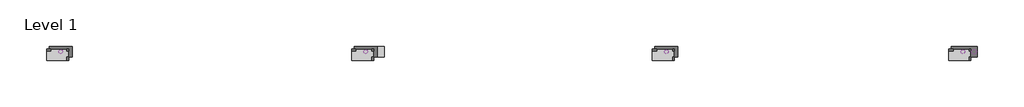
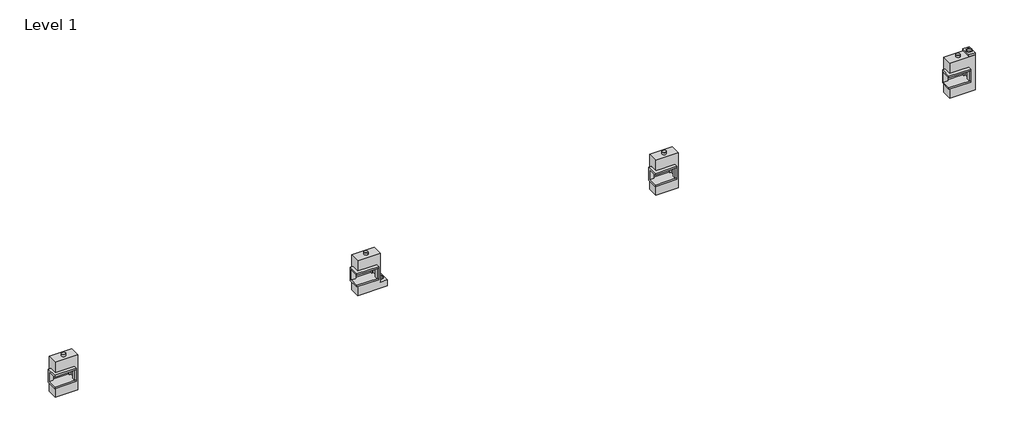
# One storey: 14 proxies.
"""IFC4 building model written with IfcOpenShell, lengths in millimetres."""

import ifcopenshell
import ifcopenshell.guid

model = None  # the IFC model being written
_history = None  # IfcOwnerHistory: only IFC2X3 demands one
_inside = {}  # id of a spatial element -> (the spatial element, [elements in it])
_under = {}  # id of a project, library or spatial element -> (it, [spatial elements below it])
_declared = {}  # id of a project -> (the project, [libraries it declares])
_typed = {}  # id of a type object -> (the type object, [elements of that type])
_made_of = {}  # id of a material, layer set ... -> (it, [elements and type objects made of it])


def new_model(schema):
    """Start an empty IFC model of exactly this schema.

    Asked for "IFC4X3", IfcOpenShell would pick the latest addendum, in which some entities
    have other attributes; the version numbers below select the first issue.
    IFC2X3 requires an IfcOwnerHistory on every rooted entity: one is made here for all.
    """
    global model, _history
    if schema == "IFC4X3":
        model = ifcopenshell.file(schema_version=(4, 3, 0, 0))
    else:
        model = ifcopenshell.file(schema=schema)
    _inside.clear()
    _under.clear()
    _declared.clear()
    _typed.clear()
    _made_of.clear()
    _history = None
    if model.schema == "IFC2X3":
        org = make("IfcOrganization", Name="unknown")
        user = make(
            "IfcPersonAndOrganization",
            ThePerson=make("IfcPerson", FamilyName="unknown"),
            TheOrganization=org,
        )
        app = make(
            "IfcApplication",
            ApplicationDeveloper=org,
            Version="unknown",
            ApplicationFullName="unknown",
            ApplicationIdentifier="unknown",
        )
        _history = make(
            "IfcOwnerHistory",
            OwningUser=user,
            OwningApplication=app,
            ChangeAction="ADDED",
            CreationDate=0,
        )
    return model


def make(cls, **values):
    """One entity of the class cls with the attributes given. An attribute that is None is left unset."""
    return model.create_entity(
        cls, **{name: value for name, value in values.items() if value is not None}
    )


def rooted(cls, **values):
    """An entity with a GlobalId (a new one), such as an element, a storey or a relation."""
    return make(cls, GlobalId=ifcopenshell.guid.new(), OwnerHistory=_history, **values)


def si_unit(unit_type, name, prefix=None):
    """IfcSIUnit, for example si_unit("LENGTHUNIT", "METRE", prefix="MILLI")."""
    return make("IfcSIUnit", UnitType=unit_type, Prefix=prefix, Name=name)


def assignment(units):
    """IfcUnitAssignment: the units of a project."""
    return None if units is None else make("IfcUnitAssignment", Units=units)


def point(xyz):
    """IfcCartesianPoint."""
    return None if xyz is None else make("IfcCartesianPoint", Coordinates=xyz)


def direction(xyz):
    """IfcDirection."""
    return None if xyz is None else make("IfcDirection", DirectionRatios=xyz)


def frame(location, z_axis=None, x_axis=None):
    """IfcAxis2Placement3D, a coordinate frame: its origin and axes. An axis left out is left unset."""
    return make(
        "IfcAxis2Placement3D",
        Location=point(location),
        Axis=direction(z_axis),
        RefDirection=direction(x_axis),
    )


def frame_2d(location, x_axis=None):
    """IfcAxis2Placement2D, a coordinate frame in the plane: its origin and x axis."""
    return make(
        "IfcAxis2Placement2D", Location=point(location), RefDirection=direction(x_axis)
    )


def origin():
    """The frame at (0, 0, 0) with its axes left unset."""
    return frame((0.0, 0.0, 0.0))


def origin_with_axes():
    """The frame at (0, 0, 0) with the z axis (0, 0, 1) and the x axis (1, 0, 0) written out."""
    return frame((0.0, 0.0, 0.0), z_axis=(0.0, 0.0, 1.0), x_axis=(1.0, 0.0, 0.0))


def origin_2d():
    """The frame at (0, 0) in the plane with its x axis left unset."""
    return frame_2d((0.0, 0.0))


def place(relative_to, where):
    """IfcLocalPlacement: puts the frame where relative to a parent placement (None: the world)."""
    return make(
        "IfcLocalPlacement", PlacementRelTo=relative_to, RelativePlacement=where
    )


def context(
    kind, dimensions, precision=None, world=None, true_north=None, identifier=None
):
    """IfcGeometricRepresentationContext, for example the 3D "Model" context."""
    return make(
        "IfcGeometricRepresentationContext",
        ContextIdentifier=identifier,
        ContextType=kind,
        CoordinateSpaceDimension=dimensions,
        Precision=precision,
        WorldCoordinateSystem=world,
        TrueNorth=true_north,
    )


def project(units=None, contexts=None):
    """IfcProject with its units and contexts."""
    return rooted(
        "IfcProject",
        Name="project",
        RepresentationContexts=contexts,
        UnitsInContext=assignment(units),
    )


def spatial(cls, under=None, at=None, **own):
    """A site, building, storey or space (cls), placed at a placement, below another one or the project."""
    s = rooted(cls, ObjectPlacement=at, **own)
    if under is not None:
        _under.setdefault(under.id(), (under, []))[1].append(s)
    return s


def polyline(points):
    """IfcPolyline through the points."""
    return make("IfcPolyline", Points=[point(p) for p in points])


def circle_curve(where, radius):
    """IfcCircle in the frame where."""
    return make("IfcCircle", Position=where, Radius=radius)


def trimmed(basis, trim1, trim2, sense, master):
    """IfcTrimmedCurve: the piece of a basis curve between two trims."""
    return make(
        "IfcTrimmedCurve",
        BasisCurve=basis,
        Trim1=trim1,
        Trim2=trim2,
        SenseAgreement=sense,
        MasterRepresentation=master,
    )


def segment(curve, same_sense, transition):
    """IfcCompositeCurveSegment."""
    return make(
        "IfcCompositeCurveSegment",
        Transition=transition,
        SameSense=same_sense,
        ParentCurve=curve,
    )


def composite_curve(segments, self_intersect=None):
    """IfcCompositeCurve: segments joined end to end."""
    return make("IfcCompositeCurve", Segments=segments, SelfIntersect=self_intersect)


def outline(outer, holes=None, kind="AREA"):
    """IfcArbitraryClosedProfileDef: a profile drawn as a closed curve; with holes, ...WithVoids."""
    if holes is None:
        return make("IfcArbitraryClosedProfileDef", ProfileType=kind, OuterCurve=outer)
    return make(
        "IfcArbitraryProfileDefWithVoids",
        ProfileType=kind,
        OuterCurve=outer,
        InnerCurves=holes,
    )


def extrude(swept, where, along, depth):
    """IfcExtrudedAreaSolid: the profile swept, set in the frame where, extruded along a direction by depth."""
    return make(
        "IfcExtrudedAreaSolid",
        SweptArea=swept,
        Position=where,
        ExtrudedDirection=direction(along),
        Depth=depth,
    )


def faces_of(points, faces, orient=None, outer=None):
    """IfcFace entities. A face is a list of loops; a loop is a list of indices into points, from 0.

    orient and outer hold one flag for each loop. By default every Orientation is true, the
    first loop of a face is its IfcFaceOuterBound and the others are IfcFaceBound.
    """
    made = []
    for i, loops in enumerate(faces):
        bounds = []
        for j, loop in enumerate(loops):
            is_outer = j == 0 if outer is None else outer[i][j]
            bounds.append(
                make(
                    "IfcFaceOuterBound" if is_outer else "IfcFaceBound",
                    Bound=make("IfcPolyLoop", Polygon=[points[k] for k in loop]),
                    Orientation=True if orient is None else orient[i][j],
                )
            )
        made.append(make("IfcFace", Bounds=bounds))
    return made


def faceted_brep(points, faces, orient=None, outer=None, voids=None):
    """IfcFacetedBrep: a solid bounded by flat faces; with voids (closed shells), ...WithVoids."""
    shared = [point(p) for p in points]
    hull = make("IfcClosedShell", CfsFaces=faces_of(shared, faces, orient, outer))
    if voids is None:
        return make("IfcFacetedBrep", Outer=hull)
    return make(
        "IfcFacetedBrepWithVoids",
        Outer=hull,
        Voids=[
            make(cls, CfsFaces=faces_of(shared, fs, o, b)) for cls, fs, o, b in voids
        ],
    )


def shape(context_of_items, identifier, shape_type, items):
    """IfcShapeRepresentation: the items that make up one representation, for example the "Body"."""
    return make(
        "IfcShapeRepresentation",
        ContextOfItems=context_of_items,
        RepresentationIdentifier=identifier,
        RepresentationType=shape_type,
        Items=items,
    )


def source(mapping_origin, context_of_items, identifier, shape_type, items):
    """IfcRepresentationMap: a shape defined once, which mapped items show again and again."""
    return make(
        "IfcRepresentationMap",
        MappingOrigin=mapping_origin,
        MappedRepresentation=shape(context_of_items, identifier, shape_type, items),
    )


def transform(
    local_origin,
    x_axis=None,
    y_axis=None,
    z_axis=None,
    scale=None,
    scale2=None,
    scale3=None,
    uniform=True,
):
    """IfcCartesianTransformationOperator3D, or its non-uniform kind. x_axis, y_axis, z_axis: its Axis1, 2, 3."""
    if uniform:
        return make(
            "IfcCartesianTransformationOperator3D",
            Axis1=direction(x_axis),
            Axis2=direction(y_axis),
            LocalOrigin=point(local_origin),
            Scale=scale,
            Axis3=direction(z_axis),
        )
    return make(
        "IfcCartesianTransformationOperator3DnonUniform",
        Axis1=direction(x_axis),
        Axis2=direction(y_axis),
        LocalOrigin=point(local_origin),
        Scale=scale,
        Axis3=direction(z_axis),
        Scale2=scale2,
        Scale3=scale3,
    )


def mapped(mapping_source, mapping_target):
    """IfcMappedItem: shows the shape of a source again, moved by a transform."""
    return make(
        "IfcMappedItem", MappingSource=mapping_source, MappingTarget=mapping_target
    )


def made_of(thing, what):
    """Note that an element or type object is made of a material, layer set ...; save() writes the relation."""
    if what is not None:
        _made_of.setdefault(what.id(), (what, []))[1].append(thing)
    return thing


def element(
    cls,
    number,
    at=None,
    inside=None,
    cuts=None,
    type_object=None,
    material=None,
    context=None,
    identifier="Body",
    shape_type=None,
    held_by="IfcProductDefinitionShape",
    body=None,
    shapes=None,
    **own,
):
    """One element of the class cls, such as IfcWall. Its Tag is "e" and its number.

    at: its placement. inside: the storey or other place that contains it. cuts: it is an
    opening in that element (IfcRelVoidsElement). A single representation is given by context,
    identifier, shape_type and body (its items); several are given by shapes. held_by: the class
    of the entity that holds the representations. save() writes the other relations.
    """
    e = rooted(cls, Tag="e%d" % number, ObjectPlacement=at, **own)
    if body is not None:
        shapes = [shape(context, identifier, shape_type, body)]
    if shapes is not None:
        e.Representation = make(held_by, Representations=shapes)
    if inside is not None:
        _inside.setdefault(inside.id(), (inside, []))[1].append(e)
    if cuts is not None:
        rooted(
            "IfcRelVoidsElement", RelatingBuildingElement=cuts, RelatedOpeningElement=e
        )
    if type_object is not None:
        _typed.setdefault(type_object.id(), (type_object, []))[1].append(e)
    return made_of(e, material)


def aggregate(whole, parts):
    """IfcRelAggregates: a whole, such as a stair, and the parts it consists of."""
    return rooted("IfcRelAggregates", RelatingObject=whole, RelatedObjects=parts)


def save(model, path):
    """Write the relations noted so far, then the file.

    IfcRelAggregates (storeys below a building ...), IfcRelContainedInSpatialStructure (elements
    in a storey), IfcRelDefinesByType, IfcRelAssociatesMaterial and IfcRelDeclares: one each for
    every whole, place, type object, material and project.
    """
    for whole, parts in _under.values():
        aggregate(whole, parts)
    for where, things in _inside.values():
        rooted(
            "IfcRelContainedInSpatialStructure",
            RelatedElements=things,
            RelatingStructure=where,
        )
    for kind, things in _typed.values():
        rooted("IfcRelDefinesByType", RelatedObjects=things, RelatingType=kind)
    for what, things in _made_of.values():
        rooted("IfcRelAssociatesMaterial", RelatedObjects=things, RelatingMaterial=what)
    for by, libraries in _declared.values():
        rooted("IfcRelDeclares", RelatingContext=by, RelatedDefinitions=libraries)
    model.write(path)


def as_specified_88bc6e9f(model_context):
    return source(origin(), model_context, "Body", "SolidModel", [
        extrude(outline(polyline([(298.45, 285.75), (374.65, 285.75), (374.65, -222.25), (298.45, -222.25), (298.45, 285.75)])), frame((0.0, 0.0, -25.4), z_axis=(0.0, 0.0, 1.0), x_axis=(1.0, 0.0, 0.0)), (0.0, 0.0, 1.0), 165.1),
        faceted_brep([(374.65, 285.75, 139.7), (374.65, 285.75, -317.5), (374.65, -222.25, -317.5), (374.65, -222.25, 139.7), (374.65, -298.45, 139.7), (374.65, -298.45, -393.7), (374.65, 361.95, -393.7), (374.65, 361.95, 139.7), (-666.75, 285.75, 139.7), (-666.75, 361.95, 139.7), (-666.75, 361.95, -393.7), (-666.75, -298.45, -393.7), (-666.75, -298.45, 139.7), (-666.75, -222.25, 139.7), (-666.75, -222.25, -317.5), (-666.75, 285.75, -317.5), (-463.55, 285.75, -393.7), (-463.55, -222.25, -393.7), (298.45, -222.25, -393.7), (298.45, 285.75, -393.7), (298.45, -222.25, -317.5), (-463.55, -222.25, -317.5), (298.45, 285.75, -317.5), (-463.55, 285.75, -317.5)], [[[0, 1, 2, 3, 4, 5, 6, 7]], [[8, 9, 10, 11, 12, 13, 14, 15]], [[0, 7, 9, 8]], [[7, 6, 10, 9]], [[6, 5, 11, 10], [16, 17, 18, 19]], [[4, 3, 13, 12]], [[3, 2, 20, 18, 17, 21, 14, 13]], [[2, 1, 22, 20]], [[15, 14, 21, 23]], [[1, 0, 8, 15, 23, 16, 19, 22]], [[21, 17, 16, 23]], [[18, 20, 22, 19]], [[5, 4, 12, 11]]]),
        faceted_brep([(-539.75, 882.65, -523.9742188), (539.75, 882.65, -523.9742188), (539.75, -882.65, -523.9742188), (-539.75, -882.65, -523.9742188), (539.75, 882.65, -25.4), (-539.75, 882.65, -25.4), (-539.75, 361.95, -25.4), (374.65, 361.95, -25.4), (374.65, -298.45, -25.4), (-539.75, -298.45, -25.4), (-539.75, -882.65, -25.4), (539.75, -882.65, -25.4), (-539.75, -298.45, -393.7), (-539.75, 361.95, -393.7), (374.65, 361.95, -393.7), (374.65, -298.45, -393.7)], [[[0, 1, 2, 3]], [[4, 5, 6, 7, 8, 9, 10, 11]], [[1, 0, 5, 4]], [[5, 0, 3, 10, 9, 12, 13, 6]], [[1, 4, 11, 2]], [[3, 2, 11, 10]], [[14, 15, 8, 7]], [[13, 14, 7, 6]], [[15, 14, 13, 12]], [[15, 12, 9, 8]]]),
    ])


def as_specified_033c711a(model_context):
    return source(origin(), model_context, "Body", "SolidModel", [
        extrude(outline(polyline([(298.45, 285.75), (374.65, 285.75), (374.65, -222.25), (298.45, -222.25), (298.45, 285.75)])), frame((0.0, 0.0, -25.4), z_axis=(0.0, 0.0, 1.0), x_axis=(1.0, 0.0, 0.0)), (0.0, 0.0, 1.0), 165.1),
        faceted_brep([(374.65, 285.75, 139.7), (374.65, 285.75, -317.5), (374.65, -222.25, -317.5), (374.65, -222.25, 139.7), (374.65, -298.45, 139.7), (374.65, -298.45, -393.7), (374.65, 361.95, -393.7), (374.65, 361.95, 139.7), (-666.75, 285.75, 139.7), (-666.75, 361.95, 139.7), (-666.75, 361.95, -393.7), (-666.75, -298.45, -393.7), (-666.75, -298.45, 139.7), (-666.75, -222.25, 139.7), (-666.75, -222.25, -317.5), (-666.75, 285.75, -317.5), (-463.55, 285.75, -393.7), (-463.55, -222.25, -393.7), (298.45, -222.25, -393.7), (298.45, 285.75, -393.7), (298.45, -222.25, -317.5), (-463.55, -222.25, -317.5), (298.45, 285.75, -317.5), (-463.55, 285.75, -317.5)], [[[0, 1, 2, 3, 4, 5, 6, 7]], [[8, 9, 10, 11, 12, 13, 14, 15]], [[0, 7, 9, 8]], [[7, 6, 10, 9]], [[6, 5, 11, 10], [16, 17, 18, 19]], [[4, 3, 13, 12]], [[3, 2, 20, 18, 17, 21, 14, 13]], [[2, 1, 22, 20]], [[15, 14, 21, 23]], [[1, 0, 8, 15, 23, 16, 19, 22]], [[21, 17, 16, 23]], [[18, 20, 22, 19]], [[5, 4, 12, 11]]]),
        faceted_brep([(-539.75, 882.65, -523.9742188), (539.75, 882.65, -523.9742188), (539.75, -577.85, -523.9742188), (869.95, -577.85, -523.9742188), (869.95, -882.65, -523.9742188), (-539.75, -882.65, -523.9742188), (539.75, 882.65, -25.4), (-539.75, 882.65, -25.4), (-539.75, 361.95, -25.4), (374.65, 361.95, -25.4), (374.65, -298.45, -25.4), (-539.75, -298.45, -25.4), (-539.75, -882.65, -25.4), (869.95, -882.65, -25.4), (869.95, -577.85, -25.4), (539.75, -577.85, -25.4), (-539.75, -298.45, -393.7), (-539.75, 361.95, -393.7), (374.65, 361.95, -393.7), (374.65, -298.45, -393.7)], [[[0, 1, 2, 3, 4, 5]], [[6, 7, 8, 9, 10, 11, 12, 13, 14, 15]], [[1, 0, 7, 6]], [[7, 0, 5, 12, 11, 16, 17, 8]], [[1, 6, 15, 2]], [[5, 4, 13, 12]], [[18, 19, 10, 9]], [[17, 18, 9, 8]], [[19, 18, 17, 16]], [[19, 16, 11, 10]], [[4, 3, 14, 13]], [[3, 2, 15, 14]]]),
    ])


def as_specified_0ab2df38(model_context):
    return source(origin(), model_context, "Body", "SolidModel", [
        extrude(outline(polyline([(692.15, 882.65), (374.65, 882.65), (374.65, 984.25), (692.15, 984.25), (692.15, 882.65)])), frame((0.0, 0.0, -523.9742188), z_axis=(0.0, 0.0, 1.0), x_axis=(1.0, 0.0, 0.0)), (0.0, 0.0, 1.0), 498.5742187),
        extrude(outline(polyline([(298.45, 285.75), (374.65, 285.75), (374.65, -222.25), (298.45, -222.25), (298.45, 285.75)])), frame((0.0, 0.0, -25.4), z_axis=(0.0, 0.0, 1.0), x_axis=(1.0, 0.0, 0.0)), (0.0, 0.0, 1.0), 165.1),
        faceted_brep([(374.65, 285.75, 139.7), (374.65, 285.75, -317.5), (374.65, -222.25, -317.5), (374.65, -222.25, 139.7), (374.65, -298.45, 139.7), (374.65, -298.45, -393.7), (374.65, 361.95, -393.7), (374.65, 361.95, 139.7), (-666.75, 285.75, 139.7), (-666.75, 361.95, 139.7), (-666.75, 361.95, -393.7), (-666.75, -298.45, -393.7), (-666.75, -298.45, 139.7), (-666.75, -222.25, 139.7), (-666.75, -222.25, -317.5), (-666.75, 285.75, -317.5), (-463.55, 285.75, -393.7), (-463.55, -222.25, -393.7), (298.45, -222.25, -393.7), (298.45, 285.75, -393.7), (298.45, -222.25, -317.5), (-463.55, -222.25, -317.5), (298.45, 285.75, -317.5), (-463.55, 285.75, -317.5)], [[[0, 1, 2, 3, 4, 5, 6, 7]], [[8, 9, 10, 11, 12, 13, 14, 15]], [[0, 7, 9, 8]], [[7, 6, 10, 9]], [[6, 5, 11, 10], [16, 17, 18, 19]], [[4, 3, 13, 12]], [[3, 2, 20, 18, 17, 21, 14, 13]], [[2, 1, 22, 20]], [[15, 14, 21, 23]], [[1, 0, 8, 15, 23, 16, 19, 22]], [[21, 17, 16, 23]], [[18, 20, 22, 19]], [[5, 4, 12, 11]]]),
        faceted_brep([(692.15, 882.65, -523.9742188), (692.15, -882.65, -523.9742188), (-539.75, -882.65, -523.9742188), (-539.75, 882.65, -523.9742188), (-539.75, 882.65, -25.4), (-539.75, 361.95, -25.4), (374.65, 361.95, -25.4), (374.65, -298.45, -25.4), (-539.75, -298.45, -25.4), (-539.75, -882.65, -25.4), (692.15, -882.65, -25.4), (692.15, 882.65, -25.4), (-539.75, -298.45, -393.7), (-539.75, 361.95, -393.7), (374.65, 361.95, -393.7), (374.65, -298.45, -393.7)], [[[0, 1, 2, 3]], [[4, 5, 6, 7, 8, 9, 10, 11]], [[0, 3, 4, 11]], [[4, 3, 2, 9, 8, 12, 13, 5]], [[2, 1, 10, 9]], [[14, 15, 7, 6]], [[13, 14, 6, 5]], [[15, 14, 13, 12]], [[15, 12, 8, 7]], [[1, 0, 11, 10]]]),
    ])


def proxy_0b07f914(model_context):
    return source(origin(), model_context, "Body", "SweptSolid", [
        extrude(outline(composite_curve([segment(trimmed(circle_curve(origin_2d(), 87.3125), [point((-87.3125, 0.0))], [point((87.3125, 0.0))], False, "CARTESIAN"), True, "CONTINUOUS"), segment(trimmed(circle_curve(origin_2d(), 87.3125), [point((87.3125, 0.0))], [point((-87.3125, 0.0))], False, "CARTESIAN"), True, "CONTINUOUS")], self_intersect=False), holes=[composite_curve([segment(trimmed(circle_curve(origin_2d(), 85.725), [point((-85.725, 0.0))], [point((85.725, 0.0))], True, "CARTESIAN"), True, "CONTINUOUS"), segment(trimmed(circle_curve(origin_2d(), 85.725), [point((85.725, 0.0))], [point((-85.725, 0.0))], True, "CARTESIAN"), True, "CONTINUOUS")], self_intersect=False)]), origin_with_axes(), (0.0, 0.0, 1.0), 6.35),
    ])


def proxy_aacffdaf(model_context):
    return source(origin(), model_context, "Body", "SweptSolid", [
        extrude(outline(composite_curve([segment(trimmed(circle_curve(origin_2d(), 90.4875), [point((-90.4875, 0.0))], [point((90.4875, 0.0))], False, "CARTESIAN"), True, "CONTINUOUS"), segment(trimmed(circle_curve(origin_2d(), 90.4875), [point((90.4875, 0.0))], [point((-90.4875, 0.0))], False, "CARTESIAN"), True, "CONTINUOUS")], self_intersect=False), holes=[composite_curve([segment(trimmed(circle_curve(origin_2d(), 88.9), [point((-88.9, 0.0))], [point((88.9, 0.0))], True, "CARTESIAN"), True, "CONTINUOUS"), segment(trimmed(circle_curve(origin_2d(), 88.9), [point((88.9, 0.0))], [point((-88.9, 0.0))], True, "CARTESIAN"), True, "CONTINUOUS")], self_intersect=False)]), origin_with_axes(), (0.0, 0.0, 1.0), 6.35),
    ])


def proxy_06b7fb91(model_context):
    return source(origin(), model_context, "Body", "SweptSolid", [
        extrude(outline(composite_curve([segment(trimmed(circle_curve(origin_2d(), 98.425), [point((-98.425, 0.0))], [point((98.425, 0.0))], False, "CARTESIAN"), True, "CONTINUOUS"), segment(trimmed(circle_curve(origin_2d(), 98.425), [point((98.425, 0.0))], [point((-98.425, 0.0))], False, "CARTESIAN"), True, "CONTINUOUS")], self_intersect=False), holes=[composite_curve([segment(trimmed(circle_curve(origin_2d(), 96.8375), [point((-96.8375, 0.0))], [point((96.8375, 0.0))], True, "CARTESIAN"), True, "CONTINUOUS"), segment(trimmed(circle_curve(origin_2d(), 96.8375), [point((96.8375, 0.0))], [point((-96.8375, 0.0))], True, "CARTESIAN"), True, "CONTINUOUS")], self_intersect=False)]), origin_with_axes(), (0.0, 0.0, 1.0), 101.6),
    ])


def proxy_f04a25a4(model_context):
    return source(origin(), model_context, "Body", "SweptSolid", [
        extrude(outline(composite_curve([segment(trimmed(circle_curve(origin_2d(), 125.4125), [point((-125.4125, 0.0))], [point((125.4125, 0.0))], False, "CARTESIAN"), True, "CONTINUOUS"), segment(trimmed(circle_curve(origin_2d(), 125.4125), [point((125.4125, 0.0))], [point((-125.4125, 0.0))], False, "CARTESIAN"), True, "CONTINUOUS")], self_intersect=False), holes=[composite_curve([segment(trimmed(circle_curve(origin_2d(), 123.825), [point((-123.825, 0.0))], [point((123.825, 0.0))], True, "CARTESIAN"), True, "CONTINUOUS"), segment(trimmed(circle_curve(origin_2d(), 123.825), [point((123.825, 0.0))], [point((-123.825, 0.0))], True, "CARTESIAN"), True, "CONTINUOUS")], self_intersect=False)]), origin_with_axes(), (0.0, 0.0, 1.0), 50.8),
    ])


model = new_model("IFC4")

# Units and contexts
model_context = context("Model", 3, world=origin())
ifc_project = project(units=[si_unit("LENGTHUNIT", "METRE", prefix="MILLI")], contexts=[model_context])

# Site, building, storey
site = spatial("IfcSite", under=ifc_project)
building = spatial("IfcBuilding", under=site)
storey = spatial("IfcBuildingStorey", under=building, Name="Level 1", Elevation=0.0)

# Proxies
placement = place(None, origin())
as_specified_shape = as_specified_88bc6e9f(model_context)
element("IfcBuildingElementProxy", 1, Name="As Specified", ObjectType="As Specified", at=placement, inside=storey, context=model_context, shape_type="MappedRepresentation", body=[
    mapped(as_specified_shape, transform((14791.2574402, 1616.7712992, 1219.2), x_axis=(1.0, 0.0, 0.0), y_axis=(0.0, 0.0, 1.0), z_axis=(0.0, -1.0, 0.0))),
])
as_specified_2_shape = as_specified_033c711a(model_context)
element("IfcBuildingElementProxy", 2, Name="As Specified", ObjectType="As Specified", at=placement, inside=storey, context=model_context, shape_type="MappedRepresentation", body=[
    mapped(as_specified_2_shape, transform((565.6597121, 1616.7712992, 1144.6311604), x_axis=(1.0, 0.0, 0.0), y_axis=(0.0, 0.0, 1.0), z_axis=(0.0, -1.0, 0.0))),
])
as_specified_3_shape = as_specified_0ab2df38(model_context)
element("IfcBuildingElementProxy", 3, Name="As Specified", ObjectType="As Specified", at=placement, inside=storey, context=model_context, shape_type="MappedRepresentation", body=[
    mapped(as_specified_3_shape, transform((28812.0574402, 1616.7712992, 1219.2), x_axis=(1.0, 0.0, 0.0), y_axis=(0.0, 0.0, 1.0), z_axis=(0.0, -1.0, 0.0))),
])
element("IfcBuildingElementProxy", 4, Name="As Specified", ObjectType="As Specified", at=placement, inside=storey, context=model_context, shape_type="MappedRepresentation", body=[
    mapped(as_specified_shape, transform((-13859.9425598, 1616.7712992, 1066.8), x_axis=(1.0, 0.0, 0.0), y_axis=(0.0, 0.0, 1.0), z_axis=(0.0, -1.0, 0.0))),
])
proxy_shape = proxy_0b07f914(model_context)
element("IfcBuildingElementProxy", 5, Name="Duct Dia : 6 7/8\" Dia", ObjectType="Duct Dia : 6 7/8\" Dia", at=placement, inside=storey, context=model_context, shape_type="MappedRepresentation", body=[
    mapped(proxy_shape, transform((15140.5074402, 2140.745518, 488.95), x_axis=(1.0, 0.0, 0.0), y_axis=(0.0, 0.0, -1.0), z_axis=(0.0, 1.0, 0.0))),
])
element("IfcBuildingElementProxy", 6, Name="Duct Dia : 6 7/8\" Dia", ObjectType="Duct Dia : 6 7/8\" Dia", at=placement, inside=storey, context=model_context, shape_type="MappedRepresentation", body=[
    mapped(proxy_shape, transform((14442.0074402, 2140.745518, 488.95), x_axis=(1.0, 0.0, 0.0), y_axis=(0.0, 0.0, -1.0), z_axis=(0.0, 1.0, 0.0))),
])
proxy_2_shape = proxy_aacffdaf(model_context)
element("IfcBuildingElementProxy", 7, Name="Duct Dia : 7 1/8\" Dia", ObjectType="Duct Dia : 7 1/8\" Dia", at=placement, inside=storey, context=model_context, shape_type="MappedRepresentation", body=[
    mapped(proxy_2_shape, transform((-13485.2925598, 1891.4584086, 184.15), x_axis=(-1.0, 0.0, 0.0), y_axis=(0.0, 1.0, 0.0), z_axis=(0.0, 0.0, -1.0))),
])
element("IfcBuildingElementProxy", 8, Name="Duct Dia : 7 1/8\" Dia", ObjectType="Duct Dia : 7 1/8\" Dia", at=placement, inside=storey, context=model_context, shape_type="MappedRepresentation", body=[
    mapped(proxy_2_shape, transform((-14234.5925598, 1891.4584086, 184.15), x_axis=(-1.0, 0.0, 0.0), y_axis=(0.0, 1.0, 0.0), z_axis=(0.0, 0.0, -1.0))),
])
proxy_3_shape = proxy_06b7fb91(model_context)
element("IfcBuildingElementProxy", 9, Name="Duct Dia : 7 3/4\" Dia", ObjectType="Duct Dia : 7 3/4\" Dia", at=placement, inside=storey, context=model_context, shape_type="MappedRepresentation", body=[
    mapped(proxy_3_shape, transform((-13859.9425598, 1891.4584086, 1949.45), x_axis=(1.0, 0.0, 0.0), y_axis=(0.0, 1.0, 0.0), z_axis=(0.0, 0.0, 1.0))),
])
element("IfcBuildingElementProxy", 10, Name="Duct Dia : 7 3/4\" Dia", ObjectType="Duct Dia : 7 3/4\" Dia", at=placement, inside=storey, context=model_context, shape_type="MappedRepresentation", body=[
    mapped(proxy_3_shape, transform((565.6597121, 1891.4584086, 2027.2811604), x_axis=(1.0, 0.0, 0.0), y_axis=(0.0, 1.0, 0.0), z_axis=(0.0, 0.0, 1.0))),
])
element("IfcBuildingElementProxy", 11, Name="Duct Dia : 7 3/4\" Dia", ObjectType="Duct Dia : 7 3/4\" Dia", at=placement, inside=storey, context=model_context, shape_type="MappedRepresentation", body=[
    mapped(proxy_3_shape, transform((14791.2574402, 1891.4584086, 2101.85), x_axis=(1.0, 0.0, 0.0), y_axis=(0.0, 1.0, 0.0), z_axis=(0.0, 0.0, 1.0))),
])
element("IfcBuildingElementProxy", 12, Name="Duct Dia : 7 3/4\" Dia", ObjectType="Duct Dia : 7 3/4\" Dia", at=placement, inside=storey, context=model_context, shape_type="MappedRepresentation", body=[
    mapped(proxy_3_shape, transform((28812.0574402, 1891.4584086, 2101.85), x_axis=(1.0, 0.0, 0.0), y_axis=(0.0, 1.0, 0.0), z_axis=(0.0, 0.0, 1.0))),
])
proxy_4_shape = proxy_f04a25a4(model_context)
element("IfcBuildingElementProxy", 13, Name="Duct Dia : 9 7/8\" Dia.", ObjectType="Duct Dia : 9 7/8\" Dia.", at=placement, inside=storey, context=model_context, shape_type="MappedRepresentation", body=[
    mapped(proxy_4_shape, transform((1270.5097121, 1908.8712992, 566.7811604), x_axis=(1.0, 0.0, 0.0), y_axis=(0.0, 1.0, 0.0), z_axis=(0.0, 0.0, 1.0))),
])
element("IfcBuildingElementProxy", 14, Name="Duct Dia : 9 7/8\" Dia.", ObjectType="Duct Dia : 9 7/8\" Dia.", at=placement, inside=storey, context=model_context, shape_type="MappedRepresentation", body=[
    mapped(proxy_4_shape, transform((29345.4574402, 1891.4584086, 2203.45), x_axis=(1.0, 0.0, 0.0), y_axis=(0.0, 1.0, 0.0), z_axis=(0.0, 0.0, 1.0))),
])

save(model, "model.ifc")
